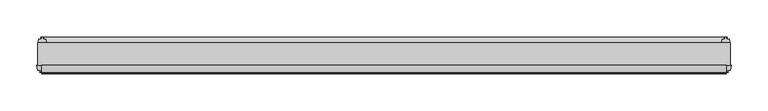
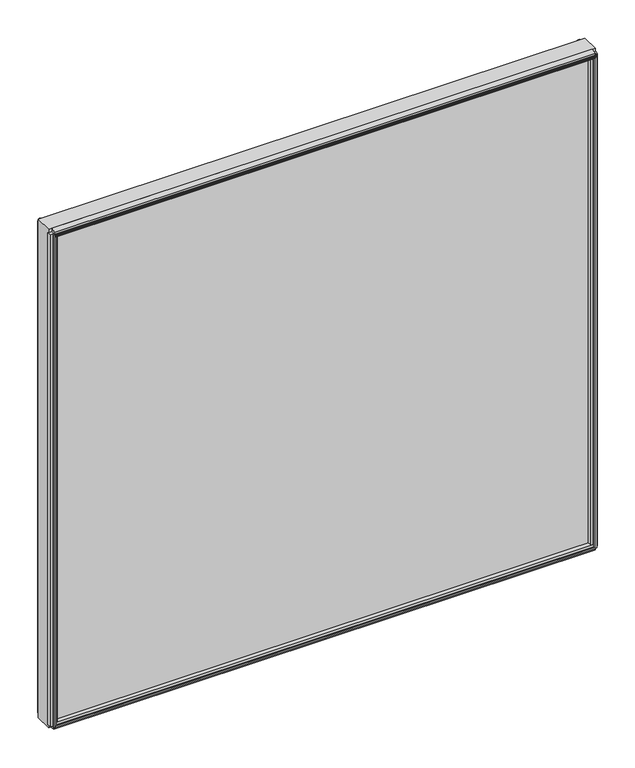
"""IFC4 building model written with IfcOpenShell, lengths in millimetres: plate geometry."""

from ifc_helpers import new_model, si_unit, point, frame, frame_2d, origin, place, context, project, spatial, polyline, circle_curve, trimmed, segment, composite_curve, outline, extrude, source, transform, mapped, element, save


def plate_0874d30a(model_context):
    return source(origin(), model_context, "Body", "SweptSolid", [
        extrude(outline(polyline([(471.425, 0.0611188), (471.425, -30.0632812), (-471.425, -30.0632812), (-471.425, 0.0611188), (471.425, 0.0611188)])), frame((0.0, 0.0, -11.1125), z_axis=(0.0, 0.0, 1.0), x_axis=(1.0, 0.0, 0.0)), (0.0, 0.0, 1.0), 908.0162004),
        extrude(outline(composite_curve([segment(polyline([(8.0873088, 0.0002053), (5.6997088, 0.0001442)]), True, "CONTINUOUS"), segment(trimmed(circle_curve(frame_2d((5.6997289, -0.7872558)), 0.7874), [point((5.6997088, 0.0001442))], [point((4.9123289, -0.7872759))], True, "CARTESIAN"), True, "CONTINUOUS"), segment(polyline([(4.9123289, -0.7872759), (4.9123491, -1.5746759), (6.4871491, -1.5746356), (4.9125187, -7.3281779), (4.9125187, -8.2080719)]), True, "CONTINUOUS"), segment(trimmed(circle_curve(frame_2d((2.4868178, -8.16973)), 2.426004), [point((4.9125187, -8.2080719))], [point((0.0611188, -8.208196))], False, "CARTESIAN"), True, "CONTINUOUS"), segment(polyline([(0.0611188, -8.208196), (0.0611188, 5.8106117)]), True, "CONTINUOUS"), segment(trimmed(circle_curve(frame_2d((11.7432902, 13.4990678)), 13.9851882), [point((0.0611188, 5.8106117))], [point((8.0873088, 0.0002053))], True, "CARTESIAN"), True, "CONTINUOUS")], self_intersect=False)), frame((-465.86875, 0.0, 0.0), z_axis=(1.0, 0.0, 0.0), x_axis=(0.0, 1.0, 0.0)), (0.0, 0.0, 1.0), 931.7375),
        extrude(outline(polyline([(-39.5149036, -7.140847), (-39.2671431, -8.6868), (-40.0794863, -8.6868), (-40.4772812, -6.35), (-40.0622654, -4.0132), (-39.2489981, -4.0132), (-39.5092713, -5.5660571), (-36.7897626, -5.0931804), (-36.7897626, -0.8006079), (-30.0632812, 0.3636403), (-30.0632812, -13.1466842), (-36.798847, -11.9285134), (-36.798847, -7.6331642), (-39.5149036, -7.140847)])), frame((-465.86875, 0.0, 0.0), z_axis=(1.0, 0.0, 0.0), x_axis=(0.0, 1.0, 0.0)), (0.0, 0.0, 1.0), 931.7375),
        extrude(outline(polyline([(-30.0632813, 897.4956015), (-30.0632813, 883.1260134), (-36.7942812, 884.8951854), (-37.9052879, 889.0415186), (-40.6553872, 888.804256), (-40.0090278, 887.3733906), (-40.7941323, 887.1630224), (-41.7914929, 889.3150138), (-42.003749, 891.6773734), (-41.2186445, 891.8877415), (-41.0629754, 890.325396), (-38.5626883, 891.4949702), (-39.6736949, 895.6413034), (-30.0632813, 897.4956015)])), frame((-465.86875, 0.0, 0.0), z_axis=(1.0, 0.0, 0.0), x_axis=(0.0, 1.0, 0.0)), (0.0, 0.0, 1.0), 931.7375),
        extrude(outline(polyline([(466.6209429, -39.5092713), (468.1694246, -39.2497314), (468.1723316, -40.0625262), (465.837, -40.4772812), (463.4987614, -40.0792415), (463.4987614, -39.2664467), (465.046153, -39.5149036), (464.5538273, -36.7987999), (460.2752005, -36.7987999), (459.0819, -30.0632812), (472.5921, -30.0632812), (471.4031205, -36.7744101), (467.0964891, -36.7744101), (466.6209429, -39.5092713)])), frame((0.0, 0.0, -5.55625), z_axis=(0.0, 0.0, 1.0), x_axis=(1.0, 0.0, 0.0)), (0.0, 0.0, 1.0), 896.9037004),
        extrude(outline(polyline([(464.2910571, 7.5513088), (462.7425754, 7.2917689), (462.7396684, 8.1045637), (465.075, 8.5193188), (467.4132386, 8.121279), (467.4132386, 7.3084842), (465.865847, 7.5569411), (466.3581727, 4.8408374), (469.8491409, 4.8408374), (470.3779556, 2.5845617), (469.8448338, 0.0611188), (460.3051662, 0.0611188), (459.7720444, 2.5845617), (460.2998, 4.8363188), (463.8189662, 4.8363188), (464.2910571, 7.5513088)])), frame((0.0, 0.0, -5.55625), z_axis=(0.0, 0.0, 1.0), x_axis=(1.0, 0.0, 0.0)), (0.0, 0.0, 1.0), 896.9037004),
        extrude(outline(polyline([(-466.6209429, -39.5092713), (-467.0964891, -36.7744101), (-471.4031205, -36.7744101), (-472.5921, -30.0632812), (-459.0819, -30.0632812), (-460.2752005, -36.7987999), (-464.5538273, -36.7987999), (-465.046153, -39.5149036), (-463.4987614, -39.2664467), (-463.4987614, -40.0792415), (-465.837, -40.4772812), (-468.1723316, -40.0625262), (-468.1694246, -39.2497314), (-466.6209429, -39.5092713)])), frame((0.0, 0.0, -5.55625), z_axis=(0.0, 0.0, 1.0), x_axis=(1.0, 0.0, 0.0)), (0.0, 0.0, 1.0), 896.9037004),
        extrude(outline(polyline([(-464.2910571, 7.5513088), (-463.8189662, 4.8363188), (-460.2998, 4.8363188), (-459.7720444, 2.5845617), (-460.3051662, 0.0611188), (-469.8448338, 0.0611188), (-470.3779556, 2.5845617), (-469.8491409, 4.8408374), (-466.3581727, 4.8408374), (-465.865847, 7.5569411), (-467.4132386, 7.3084842), (-467.4132386, 8.121279), (-465.075, 8.5193188), (-462.7396684, 8.1045637), (-462.7425754, 7.2917689), (-464.2910571, 7.5513088)])), frame((0.0, 0.0, -5.55625), z_axis=(0.0, 0.0, 1.0), x_axis=(1.0, 0.0, 0.0)), (0.0, 0.0, 1.0), 896.9037004),
    ])


if __name__ == "__main__":
    model = new_model("IFC4")
    model_context = context("Model", 3, world=origin())
    ifc_project = project(units=[si_unit("LENGTHUNIT", "METRE", prefix="MILLI")], contexts=[model_context])
    site = spatial("IfcSite", under=ifc_project)
    building = spatial("IfcBuilding", under=site)
    placement = place(None, origin())
    plate_shape = plate_0874d30a(model_context)
    element("IfcPlate", 1, at=placement, inside=building, context=model_context, shape_type="MappedRepresentation", body=[
        mapped(plate_shape, transform((0.0, 0.0, 0.0), x_axis=(1.0, 0.0, 0.0), y_axis=(0.0, 1.0, 0.0), z_axis=(0.0, 0.0, 1.0))),
    ])
    save(model, "model.ifc")
